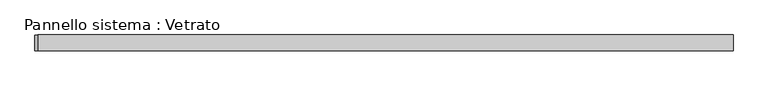
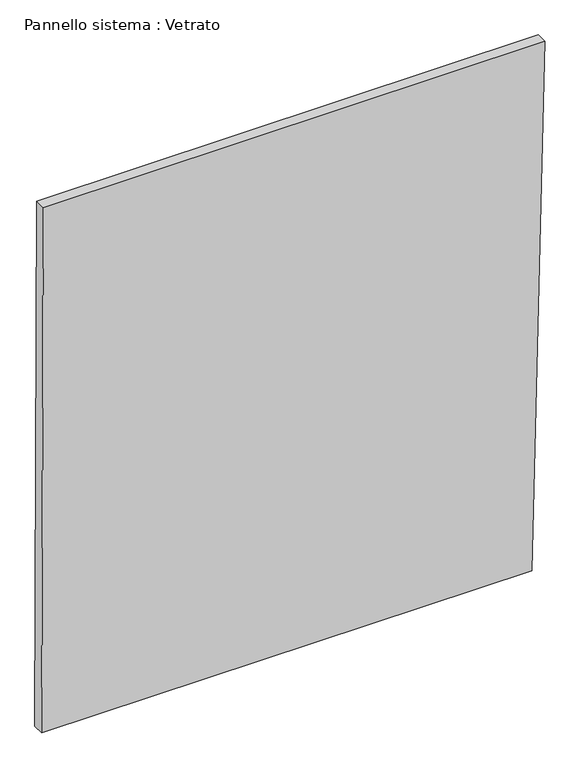
"""IFC4 building model written with IfcOpenShell, lengths in millimetres: plate geometry, Pannello sistema : Vetrato."""

from ifc_helpers import new_model, si_unit, frame, origin, place, context, project, spatial, polyline, outline, extrude, source, transform, mapped, element, save


def pannello_sistema_vetrato_512bb7b4(model_context):
    return source(origin(), model_context, "Body", "SweptSolid", [
        extrude(outline(polyline([(0.8337625, -661.0135927), (0.0, 626.6163286), (1455.8502984, 661.0135927), (1455.8502992, -656.0840467), (0.8337625, -661.0135927)])), frame((0.0, -15.0, 0.0), z_axis=(0.0, 1.0, 0.0), x_axis=(0.0, 0.0, 1.0)), (0.0, 0.0, 1.0), 30.0),
    ])


if __name__ == "__main__":
    model = new_model("IFC4")
    model_context = context("Model", 3, world=origin())
    ifc_project = project(units=[si_unit("LENGTHUNIT", "METRE", prefix="MILLI")], contexts=[model_context])
    site = spatial("IfcSite", under=ifc_project)
    building = spatial("IfcBuilding", under=site)
    placement = place(None, origin())
    pannello_sistema_vetrato_shape = pannello_sistema_vetrato_512bb7b4(model_context)
    element("IfcPlate", 1, ObjectType="Pannello sistema : Vetrato", at=placement, inside=building, context=model_context, shape_type="MappedRepresentation", body=[
        mapped(pannello_sistema_vetrato_shape, transform((0.0, 0.0, 0.0), x_axis=(1.0, 0.0, 0.0), y_axis=(0.0, 1.0, 0.0), z_axis=(0.0, 0.0, 1.0))),
    ])
    save(model, "model.ifc")
